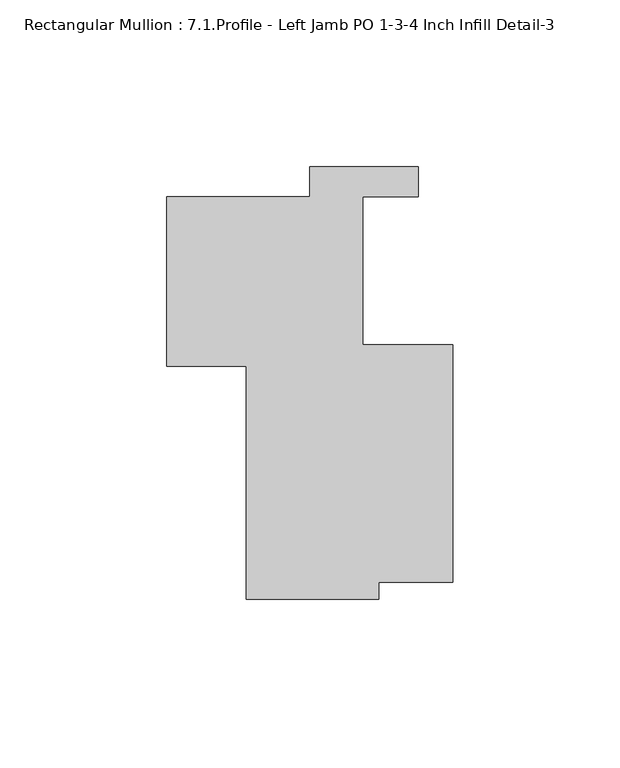
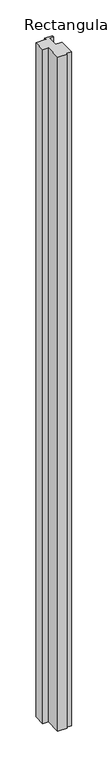
"""IFC4 building model written with IfcOpenShell, lengths in millimetres: member geometry, Rectangular Mullion : 7.1.Profile - Left Jamb PO 1-3-4 Inch Infill Detail-3."""

from ifc_helpers import new_model, si_unit, frame, origin, place, context, project, spatial, polyline, outline, extrude, source, transform, mapped, element, save


def rectangular_mullion_7_1_profile_left_jamb_po_1_3_4_inch_0c92f11a(model_context):
    return source(origin(), model_context, "Body", "SweptSolid", [
        extrude(outline(polyline([(-22.225, 1.9049976), (-22.225, -3.1789689), (-61.9125, -3.1789689), (-61.9125, 66.6749975), (-85.7123, 66.6749975), (-85.7123, 117.4749975), (-42.9038315, 117.4749975), (-42.9038315, 126.4411976), (-10.3918315, 126.4411976), (-10.3918315, 117.5263608), (-26.9874995, 117.5263608), (-26.9874995, 73.0763608), (0.0, 73.0763608), (0.0, 1.9049976), (-22.225, 1.9049976)])), frame((0.0, 0.0, -3048.0), z_axis=(0.0, 0.0, 1.0), x_axis=(1.0, 0.0, 0.0)), (0.0, 0.0, 1.0), 3048.0),
    ])


if __name__ == "__main__":
    model = new_model("IFC4")
    model_context = context("Model", 3, world=origin())
    ifc_project = project(units=[si_unit("LENGTHUNIT", "METRE", prefix="MILLI")], contexts=[model_context])
    site = spatial("IfcSite", under=ifc_project)
    building = spatial("IfcBuilding", under=site)
    placement = place(None, origin())
    rectangular_mullion_7_1_profile_left_jamb_po_1_3_4_inch_shape = rectangular_mullion_7_1_profile_left_jamb_po_1_3_4_inch_0c92f11a(model_context)
    element("IfcMember", 1, ObjectType="Rectangular Mullion : 7.1.Profile - Left Jamb PO 1-3-4 Inch Infill Detail-3", at=placement, inside=building, context=model_context, shape_type="MappedRepresentation", body=[
        mapped(rectangular_mullion_7_1_profile_left_jamb_po_1_3_4_inch_shape, transform((0.0, 0.0, 0.0), x_axis=(1.0, 0.0, 0.0), y_axis=(0.0, 1.0, 0.0), z_axis=(0.0, 0.0, 1.0))),
    ])
    save(model, "model.ifc")
